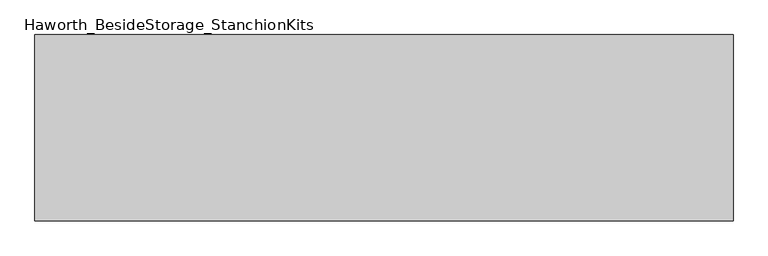
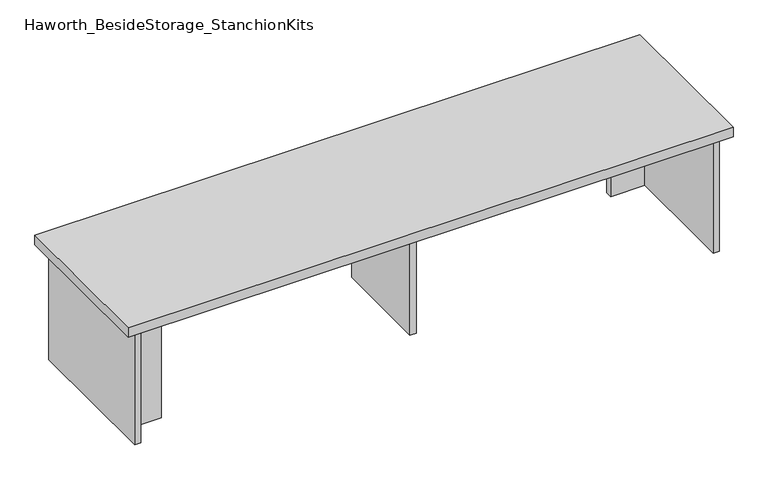
"""IFC4 building model written with IfcOpenShell, lengths in millimetres: furniture geometry, Haworth_BesideStorage_StanchionKits."""

from ifc_helpers import new_model, si_unit, frame, origin, place, context, project, spatial, polyline, outline, extrude, source, transform, mapped, element, save


def haworth_besidestorage_stanchionkits_8d1e96fc(model_context):
    return source(origin(), model_context, "Body", "SweptSolid", [
        extrude(outline(polyline([(923.925, 0.0), (923.925, -406.4), (-600.075, -406.4), (-600.075, 0.0), (923.925, 0.0)])), frame((0.0, 0.0, 736.6), z_axis=(0.0, 0.0, 1.0), x_axis=(1.0, 0.0, 0.0)), (0.0, 0.0, 1.0), 25.4),
        extrude(outline(polyline([(796.925, -76.2), (882.65, -76.2), (882.65, -92.075), (796.925, -92.075), (796.925, -76.2)])), frame((0.0, 0.0, 431.8), z_axis=(0.0, 0.0, 1.0), x_axis=(1.0, 0.0, 0.0)), (0.0, 0.0, 1.0), 304.8),
        extrude(outline(polyline([(-473.075, -314.325), (-473.075, -330.2), (-558.8, -330.2), (-558.8, -314.325), (-473.075, -314.325)])), frame((0.0, 0.0, 431.8), z_axis=(0.0, 0.0, 1.0), x_axis=(1.0, 0.0, 0.0)), (0.0, 0.0, 1.0), 304.8),
        extrude(outline(polyline([(169.8625, -330.2), (153.9875, -330.2), (153.9875, -76.2), (169.8625, -76.2), (169.8625, -330.2)])), frame((0.0, 0.0, 431.8), z_axis=(0.0, 0.0, 1.0), x_axis=(1.0, 0.0, 0.0)), (0.0, 0.0, 1.0), 304.8),
        extrude(outline(polyline([(898.525, -390.525), (882.65, -390.525), (882.65, -15.875), (898.525, -15.875), (898.525, -390.525)])), frame((0.0, 0.0, 431.8), z_axis=(0.0, 0.0, 1.0), x_axis=(1.0, 0.0, 0.0)), (0.0, 0.0, 1.0), 304.8),
        extrude(outline(polyline([(-558.8, -390.525), (-574.675, -390.525), (-574.675, -15.875), (-558.8, -15.875), (-558.8, -390.525)])), frame((0.0, 0.0, 431.8), z_axis=(0.0, 0.0, 1.0), x_axis=(1.0, 0.0, 0.0)), (0.0, 0.0, 1.0), 304.8),
    ])


if __name__ == "__main__":
    model = new_model("IFC4")
    model_context = context("Model", 3, world=origin())
    ifc_project = project(units=[si_unit("LENGTHUNIT", "METRE", prefix="MILLI")], contexts=[model_context])
    site = spatial("IfcSite", under=ifc_project)
    building = spatial("IfcBuilding", under=site)
    placement = place(None, origin())
    haworth_besidestorage_stanchionkits_shape = haworth_besidestorage_stanchionkits_8d1e96fc(model_context)
    element("IfcFurniture", 1, ObjectType="Haworth_BesideStorage_StanchionKits", at=placement, inside=building, context=model_context, shape_type="MappedRepresentation", body=[
        mapped(haworth_besidestorage_stanchionkits_shape, transform((0.0, 0.0, 0.0), x_axis=(1.0, 0.0, 0.0), y_axis=(0.0, 1.0, 0.0), z_axis=(0.0, 0.0, 1.0))),
    ])
    save(model, "model.ifc")
